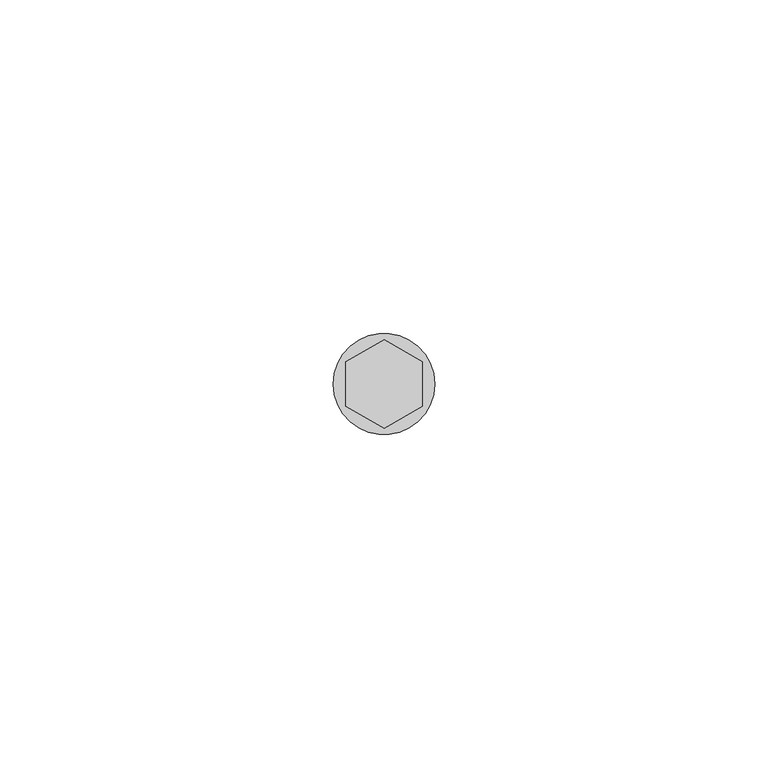
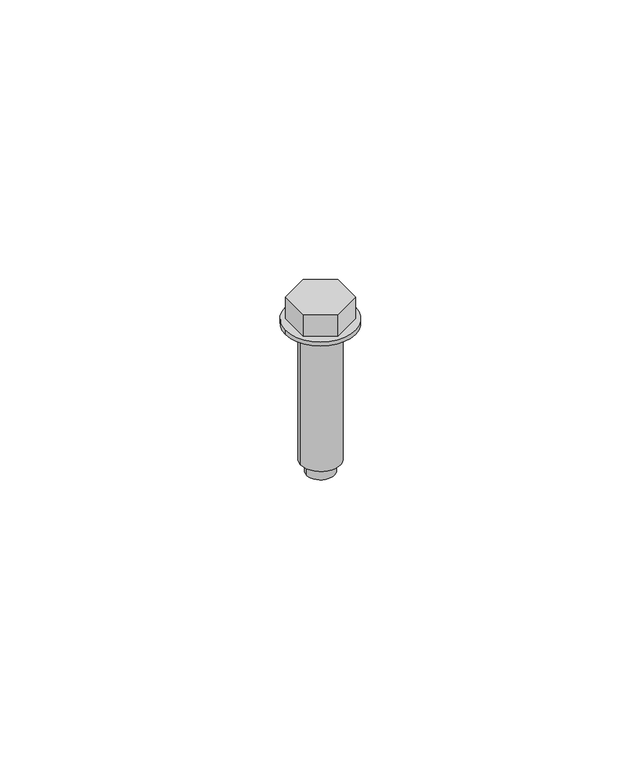
"""IFC4 building model written with IfcOpenShell, lengths in millimetres: proxy geometry."""

from ifc_helpers import new_model, si_unit, point, frame, origin, origin_2d, place, context, project, spatial, polyline, circle_curve, trimmed, segment, composite_curve, outline, extrude, source, transform, mapped, element, save


def generic_models_ec8ea85b(model_context):
    return source(origin(), model_context, "Body", "SweptSolid", [
        extrude(outline(composite_curve([segment(trimmed(circle_curve(origin_2d(), 4.2841674), [point((-4.2841674, 0.0))], [point((4.2841674, 0.0))], False, "CARTESIAN"), True, "CONTINUOUS"), segment(trimmed(circle_curve(origin_2d(), 4.2841674), [point((4.2841674, 0.0))], [point((-4.2841674, 0.0))], False, "CARTESIAN"), True, "CONTINUOUS")], self_intersect=False), holes=[composite_curve([segment(trimmed(circle_curve(origin_2d(), 3.5439164), [point((-3.5439164, 0.0))], [point((3.5439164, 0.0))], True, "CARTESIAN"), True, "CONTINUOUS"), segment(trimmed(circle_curve(origin_2d(), 3.5439164), [point((3.5439164, 0.0))], [point((-3.5439164, 0.0))], True, "CARTESIAN"), True, "CONTINUOUS")], self_intersect=False)]), frame((0.0, 0.0, -26.1810137), z_axis=(0.0, 0.0, 1.0), x_axis=(1.0, 0.0, 0.0)), (0.0, 0.0, 1.0), 31.1810137),
        extrude(outline(polyline([(0.0, -6.6082069), (-5.722875, -3.3041034), (-5.722875, 3.3041034), (0.0, 6.6082069), (5.722875, 3.3041034), (5.722875, -3.3041034), (0.0, -6.6082069)])), frame((0.0, 0.0, 6.0), z_axis=(0.0, 0.0, 1.0), x_axis=(1.0, 0.0, 0.0)), (0.0, 0.0, 1.0), 5.0),
        extrude(outline(composite_curve([segment(trimmed(circle_curve(origin_2d(), 7.6155736), [point((-7.6155736, 0.0))], [point((7.6155736, 0.0))], False, "CARTESIAN"), True, "CONTINUOUS"), segment(trimmed(circle_curve(origin_2d(), 7.6155736), [point((7.6155736, 0.0))], [point((-7.6155736, 0.0))], False, "CARTESIAN"), True, "CONTINUOUS")], self_intersect=False), holes=[composite_curve([segment(trimmed(circle_curve(origin_2d(), 3.0), [point((-3.0, 0.0))], [point((3.0, 0.0))], True, "CARTESIAN"), True, "CONTINUOUS"), segment(trimmed(circle_curve(origin_2d(), 3.0), [point((3.0, 0.0))], [point((-3.0, 0.0))], True, "CARTESIAN"), True, "CONTINUOUS")], self_intersect=False)]), frame((0.0, 0.0, 5.0), z_axis=(0.0, 0.0, 1.0), x_axis=(1.0, 0.0, 0.0)), (0.0, 0.0, 1.0), 1.0),
        extrude(outline(composite_curve([segment(trimmed(circle_curve(origin_2d(), 3.0), [point((-3.0, 0.0))], [point((3.0, 0.0))], False, "CARTESIAN"), True, "CONTINUOUS"), segment(trimmed(circle_curve(origin_2d(), 3.0), [point((3.0, 0.0))], [point((-3.0, 0.0))], False, "CARTESIAN"), True, "CONTINUOUS")], self_intersect=False)), frame((0.0, 0.0, -29.0), z_axis=(0.0, 0.0, 1.0), x_axis=(1.0, 0.0, 0.0)), (0.0, 0.0, 1.0), 34.0),
    ])


if __name__ == "__main__":
    model = new_model("IFC4")
    model_context = context("Model", 3, world=origin())
    ifc_project = project(units=[si_unit("LENGTHUNIT", "METRE", prefix="MILLI")], contexts=[model_context])
    site = spatial("IfcSite", under=ifc_project)
    building = spatial("IfcBuilding", under=site)
    placement = place(None, origin())
    generic_models_shape = generic_models_ec8ea85b(model_context)
    element("IfcBuildingElementProxy", 1, Name="Generic Models", at=placement, inside=building, context=model_context, shape_type="MappedRepresentation", body=[
        mapped(generic_models_shape, transform((0.0, 0.0, 0.0), x_axis=(1.0, 0.0, 0.0), y_axis=(0.0, 1.0, 0.0), z_axis=(0.0, 0.0, 1.0))),
    ])
    save(model, "model.ifc")
